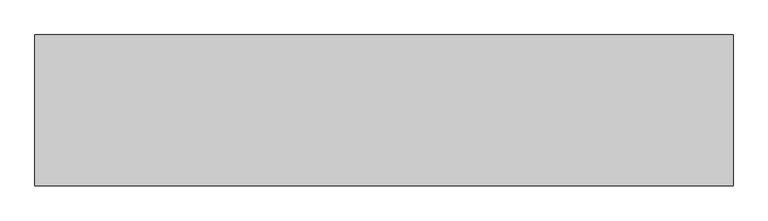
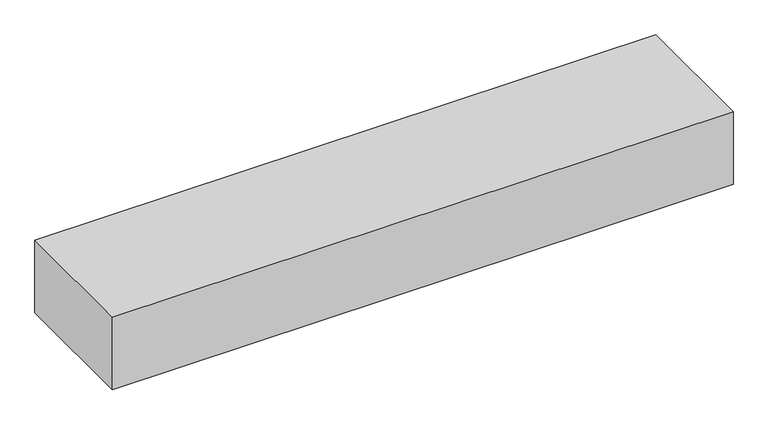
"""IFC4 building model written with IfcOpenShell, lengths in millimetres: proxy geometry."""

from ifc_helpers import new_model, si_unit, origin, place, context, project, spatial, faceted_brep, source, transform, mapped, element, save


def generic_models_4e070499(model_context):
    return source(origin(), model_context, "Body", "Brep", [
        faceted_brep([(-6961.1813139, 118302.1403379, 9683.5683149), (-6961.1813139, 118655.523297, 9683.5683149), (-6961.1813139, 118672.4289854, 9683.5683149), (-8675.2259584, 118672.4289854, 9683.5683149), (-8675.2259584, 118648.6340788, 9683.5683149), (-8675.2259584, 118302.1403379, 9683.5683149), (-6961.1813139, 118302.1403379, 9472.7617226), (-8675.2259584, 118302.1403379, 9472.7617226), (-8675.2259584, 118648.6340788, 9472.7617226), (-8675.2259584, 118672.4289854, 9472.7617226), (-6961.1813139, 118672.4289854, 9472.7617226), (-6961.1813139, 118655.523297, 9472.7617226)], [[[0, 1, 2, 3, 4, 5]], [[6, 7, 8, 9, 10, 11]], [[0, 5, 7, 6]], [[2, 1, 0, 6, 11, 10]], [[3, 2, 10, 9]], [[5, 4, 3, 9, 8, 7]]]),
    ])


if __name__ == "__main__":
    model = new_model("IFC4")
    model_context = context("Model", 3, world=origin())
    ifc_project = project(units=[si_unit("LENGTHUNIT", "METRE", prefix="MILLI")], contexts=[model_context])
    site = spatial("IfcSite", under=ifc_project)
    building = spatial("IfcBuilding", under=site)
    placement = place(None, origin())
    generic_models_shape = generic_models_4e070499(model_context)
    element("IfcBuildingElementProxy", 1, Name="Generic Models", at=placement, inside=building, context=model_context, shape_type="MappedRepresentation", body=[
        mapped(generic_models_shape, transform((0.0, 0.0, 0.0), x_axis=(1.0, 0.0, 0.0), y_axis=(0.0, 1.0, 0.0), z_axis=(0.0, 0.0, 1.0))),
    ])
    save(model, "model.ifc")
